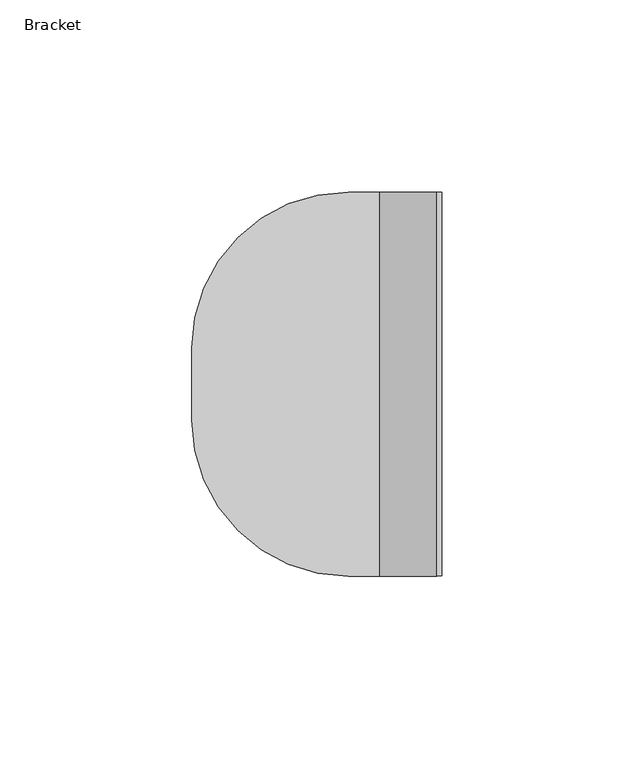
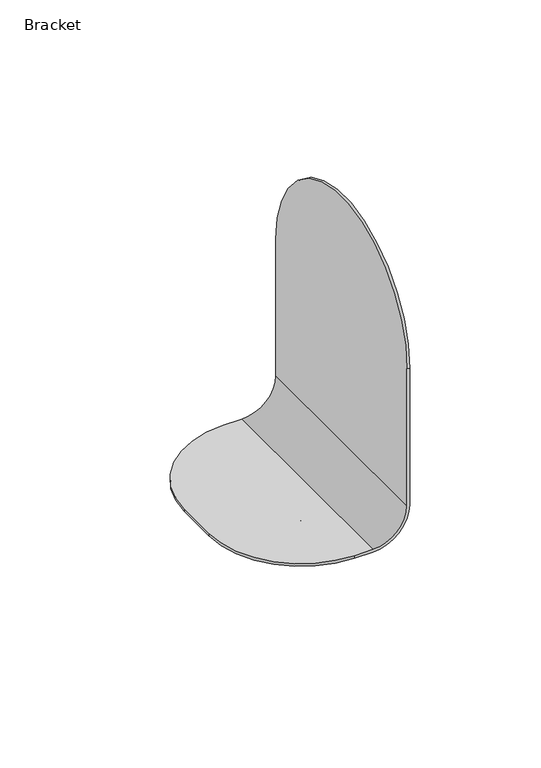
"""IFC4 building model written with IfcOpenShell, lengths in millimetres: furniture geometry, Bracket."""

from ifc_helpers import new_model, si_unit, frame, origin, place, context, project, spatial, polyline, circle_curve, source, transform, mapped, element, save
from ifc_brep_helpers import plane_surface, cylinder_surface, revolved_surface, advanced_brep


def bracket_568b75fe(model_context):
    return source(origin(), model_context, "Body", "AdvancedBrep", [
        advanced_brep(
        [(-24.3520733, 49.9996948, 897.0997253), (-65.0001821, 9.351586, 897.0997253), (-65.0001821, -9.3557974, 897.0997253), (-24.3520733, -50.0039062, 897.0997253), (-16.2009235, -50.0039062, 897.0997253), (-16.2009235, 49.9996948, 897.0997253), (-24.3520733, -50.0039062, 895.8997484), (-65.0001821, -9.3557974, 895.8997484), (-65.0001821, 9.351586, 895.8997484), (-24.3520733, 49.9996948, 895.8997484), (-16.2793384, 49.9996948, 895.8997484), (-16.2793384, -50.0039062, 895.8997484), (0.0, -50.0039062, 912.1791126), (0.0, -50.0039062, 975.8954662), (-1.2009235, -50.0039062, 975.8954662), (-1.2009235, -50.0039062, 912.0997253), (0.0, 49.9996948, 912.1791126), (-1.2009235, 49.9996948, 912.0997253), (-1.2009235, 49.9996948, 975.8954662), (0.0, 49.9996948, 975.8954662)],
        [
            (0, 1, circle_curve(frame((-24.3520733, 9.351586, 897.0997253), z_axis=(0.0, 0.0, 1.0), x_axis=(1.0, 0.0, 0.0)), 40.6481089)),
            (1, 2),
            (2, 3, circle_curve(frame((-24.3520733, -9.3557974, 897.0997253), z_axis=(0.0, 0.0, 1.0), x_axis=(1.0, 0.0, 0.0)), 40.6481089)),
            (3, 4),
            (4, 5),
            (5, 0),
            (6, 7, circle_curve(frame((-24.3520733, -9.3557974, 895.8997484), z_axis=(0.0, 0.0, -1.0), x_axis=(1.0, 0.0, 0.0)), 40.6481089)),
            (7, 8),
            (8, 9, circle_curve(frame((-24.3520733, 9.351586, 895.8997484), z_axis=(0.0, 0.0, -1.0), x_axis=(1.0, 0.0, 0.0)), 40.6481089)),
            (9, 10),
            (10, 11),
            (11, 6),
            (0, 9),
            (8, 1),
            (7, 2),
            (6, 3),
            (12, 13),
            (13, 14),
            (14, 15),
            (15, 4, circle_curve(frame((-16.2009235, -50.0039062, 912.0997253), z_axis=(0.0, 1.0, 0.0), x_axis=(1.0, 0.0, 0.0)), 15.0)),
            (11, 12, circle_curve(frame((-16.2793384, -50.0039062, 912.1791126), z_axis=(0.0, -1.0, 0.0), x_axis=(1.0, 0.0, 0.0)), 16.2793384)),
            (16, 10, circle_curve(frame((-16.2793384, 49.9996948, 912.1791126), z_axis=(0.0, 1.0, 0.0), x_axis=(1.0, 0.0, 0.0)), 16.2793384)),
            (5, 17, circle_curve(frame((-16.2009235, 49.9996948, 912.0997253), z_axis=(0.0, -1.0, 0.0), x_axis=(1.0, 0.0, 0.0)), 15.0)),
            (17, 18),
            (18, 19),
            (19, 16),
            (12, 16),
            (19, 13, circle_curve(frame((0.0, -0.0021057, 975.8954662), z_axis=(1.0, 0.0, 0.0), x_axis=(0.0, -1.0, 0.0)), 50.0018005)),
            (14, 18, circle_curve(frame((-1.2009235, -0.0021057, 975.8954662), z_axis=(-1.0, 0.0, 0.0), x_axis=(0.0, -1.0, 0.0)), 50.0018005)),
            (17, 15),
        ],
        [
            plane_surface(frame((-24.3520733, 49.9996948, 897.0997253), z_axis=(0.0, 0.0, 1.0), x_axis=(0.0, 1.0, 0.0))),
            plane_surface(frame((-24.3520733, 49.9996948, 895.8997484), z_axis=(0.0, 0.0, -1.0), x_axis=(0.0, -1.0, 0.0))),
            cylinder_surface(frame((-24.3520733, 9.351586, 895.8997484), z_axis=(0.0, 0.0, 1.0), x_axis=(1.0, 0.0, 0.0)), 40.6481089),
            plane_surface(frame((-65.0001821, 9.351586, 897.0997253), z_axis=(-1.0, 0.0, 0.0), x_axis=(0.0, 0.0, -1.0))),
            cylinder_surface(frame((-24.3520733, -9.3557974, 895.8997484), z_axis=(0.0, 0.0, 1.0), x_axis=(1.0, 0.0, 0.0)), 40.6481089),
            plane_surface(frame((0.0, -50.0039062, 975.8954662), z_axis=(0.0, -1.0, 0.0), x_axis=(0.0, 0.0, 1.0))),
            plane_surface(frame((0.0, 49.9996948, 975.8954662), z_axis=(0.0, 1.0, 0.0), x_axis=(0.0, 0.0, -1.0))),
            plane_surface(frame((0.0, -50.0039062, 912.1791126), z_axis=(1.0, 0.0, 0.0), x_axis=(0.0, 1.0, 0.0))),
            plane_surface(frame((-1.2009235, -50.0039062, 975.8954662), z_axis=(-1.0, 0.0, 0.0), x_axis=(0.0, 1.0, 0.0))),
            revolved_surface(polyline([(-1.2009234999999983, 49.9996948, 912.0997253), (-1.2009234999999983, -50.0039062, 912.0997253)]), (-16.2009235, 49.9996948, 912.0997253), (0.0, 1.0, 0.0)),
            cylinder_surface(frame((-16.2793384, 49.9996948, 912.1791126), z_axis=(0.0, -1.0, 0.0), x_axis=(1.0, 0.0, 0.0)), 16.2793384),
            cylinder_surface(frame((-1.2012448, -0.0021057, 975.8954662), z_axis=(1.0, 0.0, 0.0), x_axis=(0.0, -1.0, 0.0)), 50.0018005),
        ],
        [
            (0, [[1, 2, 3, 4, 5, 6]]),
            (1, [[7, 8, 9, 10, 11, 12]]),
            (2, [[-1, 13, -9, 14]]),
            (3, [[-2, -14, -8, 15]]),
            (4, [[-3, -15, -7, 16]]),
            (5, [[17, 18, 19, 20, -4, -16, -12, 21]]),
            (6, [[22, -10, -13, -6, 23, 24, 25, 26]]),
            (7, [[-17, 27, -26, 28]]),
            (8, [[-19, 29, -24, 30]]),
            (9, [[-20, -30, -23, -5]]),
            (10, [[-21, -11, -22, -27]]),
            (11, [[-29, -18, -28, -25]]),
        ],
    ),
        advanced_brep(
        [(-24.3520733, -7.4257815, 894.999658), (-24.3520733, 7.4960934, 894.999658), (-16.6806922, 7.4960934, 894.999658), (-16.6806922, -7.4257815, 894.999658), (-24.3520733, 7.4960934, 895.8997484), (-24.3520733, -7.4257815, 895.8997484), (-16.2220507, -7.4257815, 895.8997484), (-16.2220507, 7.4960934, 895.8997484), (-15.0000006, 7.4960934, 894.6776983), (-15.0000006, 7.4960934, 881.3889336), (-15.9000002, 7.4960934, 881.3889336), (-15.9000002, 7.4960934, 894.218966), (-15.9000002, -7.4257815, 894.218966), (-15.9000002, -7.4257815, 881.3889336), (-15.0000006, -7.4257815, 881.3889336), (-15.0000006, -7.4257815, 894.6776983), (-15.9000002, 5.7890619, 881.3889336), (-15.9000002, 6.4114456, 876.0662243), (-15.9000002, 5.9033118, 873.4305531), (-15.9000002, -5.9917248, 873.4305531), (-15.9000002, -6.4038373, 876.1652942), (-15.9000002, -6.045626, 881.3889336), (-15.0000006, -6.045626, 881.3889336), (-15.0000006, -6.4038373, 876.1652942), (-15.0000006, -5.9917248, 873.4305531), (-15.0000006, 5.9033118, 873.4305531), (-15.0000006, 6.4114456, 876.0662243), (-15.0000006, 5.7890619, 881.3889336)],
        [
            (0, 1, circle_curve(frame((-22.424541, 0.035156, 894.999658), z_axis=(0.0, 0.0, -1.0), x_axis=(1.0, 0.0, 0.0)), 7.7059048)),
            (1, 2),
            (2, 3),
            (3, 0),
            (4, 5, circle_curve(frame((-22.424541, 0.035156, 895.8997484), z_axis=(0.0, 0.0, 1.0), x_axis=(1.0, 0.0, 0.0)), 7.7059048)),
            (5, 6),
            (6, 7),
            (7, 4),
            (1, 4),
            (7, 8, circle_curve(frame((-16.2220507, 7.4960934, 894.6776983), z_axis=(0.0, 1.0, 0.0), x_axis=(1.0, 0.0, 0.0)), 1.2220501)),
            (8, 9),
            (9, 10),
            (10, 11),
            (11, 2, circle_curve(frame((-16.6806922, 7.4960934, 894.218966), z_axis=(0.0, -1.0, 0.0), x_axis=(1.0, 0.0, 0.0)), 0.780692)),
            (0, 5),
            (3, 12, circle_curve(frame((-16.6806922, -7.4257815, 894.218966), z_axis=(0.0, 1.0, 0.0), x_axis=(1.0, 0.0, 0.0)), 0.780692)),
            (12, 13),
            (13, 14),
            (14, 15),
            (15, 6, circle_curve(frame((-16.2220507, -7.4257815, 894.6776983), z_axis=(0.0, -1.0, 0.0), x_axis=(1.0, 0.0, 0.0)), 1.2220501)),
            (11, 12),
            (10, 16),
            (16, 17, circle_curve(frame((-15.9000002, 7.5448764, 878.8964985), z_axis=(1.0, 0.0, 0.0), x_axis=(0.0, -1.0, 0.0)), 3.0487895)),
            (17, 18, circle_curve(frame((-15.9000002, 5.9033118, 874.7973705), z_axis=(-1.0, 0.0, 0.0), x_axis=(0.0, -1.0, 0.0)), 1.3668175)),
            (18, 19),
            (19, 20, circle_curve(frame((-15.9000002, -5.9917248, 874.8289753), z_axis=(-1.0, 0.0, 0.0), x_axis=(0.0, -1.0, 0.0)), 1.3984222)),
            (20, 21, circle_curve(frame((-15.9000002, -7.2305782, 878.8460899), z_axis=(1.0, 0.0, 0.0), x_axis=(0.0, -1.0, 0.0)), 2.8053816)),
            (21, 13),
            (14, 22),
            (22, 23, circle_curve(frame((-15.0000006, -7.2305782, 878.8460899), z_axis=(-1.0, 0.0, 0.0), x_axis=(0.0, -1.0, 0.0)), 2.8053816)),
            (23, 24, circle_curve(frame((-15.0000006, -5.9917248, 874.8289753), z_axis=(1.0, 0.0, 0.0), x_axis=(0.0, -1.0, 0.0)), 1.3984222)),
            (24, 25),
            (25, 26, circle_curve(frame((-15.0000006, 5.9033118, 874.7973705), z_axis=(1.0, 0.0, 0.0), x_axis=(0.0, -1.0, 0.0)), 1.3668175)),
            (26, 27, circle_curve(frame((-15.0000006, 7.5448764, 878.8964985), z_axis=(-1.0, 0.0, 0.0), x_axis=(0.0, -1.0, 0.0)), 3.0487895)),
            (27, 9),
            (8, 15),
            (21, 22),
            (20, 23),
            (19, 24),
            (18, 25),
            (17, 26),
            (16, 27),
        ],
        [
            plane_surface(frame((-17.7987056, 7.4960934, 894.999658), z_axis=(0.0, 0.0, -1.0), x_axis=(0.0, -1.0, 0.0))),
            plane_surface(frame((-17.7987056, 7.4960934, 895.8997484), z_axis=(0.0, 0.0, 1.0), x_axis=(0.0, 1.0, 0.0))),
            plane_surface(frame((-17.7987056, 7.4960934, 895.8997484), z_axis=(0.0, 1.0, 0.0), x_axis=(0.0, 0.0, -1.0))),
            cylinder_surface(frame((-22.424541, 0.035156, 894.999658), z_axis=(0.0, 0.0, 1.0), x_axis=(1.0, 0.0, 0.0)), 7.7059048),
            plane_surface(frame((-24.3520733, -7.4257815, 895.8997484), z_axis=(0.0, -1.0, 0.0), x_axis=(0.0, 0.0, -1.0))),
            revolved_surface(polyline([(-15.9000002, 7.4960934, 894.218966), (-15.9000002, -7.4257815, 894.218966)]), (-16.6806922, 7.4960934, 894.218966), (0.0, 1.0, 0.0)),
            plane_surface(frame((-15.9000002, -7.4257815, 894.218966), z_axis=(-1.0, 0.0, 0.0), x_axis=(0.0, 1.0, 0.0))),
            plane_surface(frame((-15.0000006, -7.4257815, 893.374861), z_axis=(1.0, 0.0, 0.0), x_axis=(0.0, 1.0, 0.0))),
            cylinder_surface(frame((-16.2220507, 7.4960934, 894.6776983), z_axis=(0.0, -1.0, 0.0), x_axis=(1.0, 0.0, 0.0)), 1.2220501),
            plane_surface(frame((-15.0000006, -7.4257815, 881.3889336), z_axis=(0.0, 0.0, -1.0), x_axis=(-1.0, 0.0, 0.0))),
            revolved_surface(polyline([(-15.9000002, -10.0359598, 878.8460899), (-15.0000006, -10.0359598, 878.8460899)]), (-15.9000002, -7.2305782, 878.8460899), (-1.0, 0.0, 0.0)),
            cylinder_surface(frame((-15.9000002, -5.9917248, 874.8289753), z_axis=(1.0, 0.0, 0.0), x_axis=(0.0, -1.0, 0.0)), 1.3984222),
            plane_surface(frame((-15.0000006, -5.9917248, 873.4305531), z_axis=(0.0, 0.0, -1.0), x_axis=(-1.0, 0.0, 0.0))),
            cylinder_surface(frame((-15.9000002, 5.9033118, 874.7973705), z_axis=(1.0, 0.0, 0.0), x_axis=(0.0, -1.0, 0.0)), 1.3668175),
            revolved_surface(polyline([(-15.9000002, 4.4960869, 878.8964985), (-15.0000006, 4.4960869, 878.8964985)]), (-15.9000002, 7.5448764, 878.8964985), (-1.0, 0.0, 0.0)),
            plane_surface(frame((-15.0000006, 5.7890619, 881.3889336), z_axis=(0.0, 0.0, -1.0), x_axis=(-1.0, 0.0, 0.0))),
        ],
        [
            (0, [[1, 2, 3, 4]]),
            (1, [[5, 6, 7, 8]]),
            (2, [[9, -8, 10, 11, 12, 13, 14, -2]]),
            (3, [[-1, 15, -5, -9]]),
            (4, [[-15, -4, 16, 17, 18, 19, 20, -6]]),
            (5, [[-16, -3, -14, 21]]),
            (6, [[-17, -21, -13, 22, 23, 24, 25, 26, 27, 28]]),
            (7, [[-19, 29, 30, 31, 32, 33, 34, 35, -11, 36]]),
            (8, [[-20, -36, -10, -7]]),
            (9, [[-28, 37, -29, -18]]),
            (10, [[-27, 38, -30, -37]]),
            (11, [[-26, 39, -31, -38]]),
            (12, [[-25, 40, -32, -39]]),
            (13, [[-24, 41, -33, -40]]),
            (14, [[-23, 42, -34, -41]]),
            (15, [[-22, -12, -35, -42]]),
        ],
    ),
    ])


if __name__ == "__main__":
    model = new_model("IFC4")
    model_context = context("Model", 3, world=origin())
    ifc_project = project(units=[si_unit("LENGTHUNIT", "METRE", prefix="MILLI")], contexts=[model_context])
    site = spatial("IfcSite", under=ifc_project)
    building = spatial("IfcBuilding", under=site)
    placement = place(None, origin())
    bracket_shape = bracket_568b75fe(model_context)
    element("IfcFurniture", 1, ObjectType="Bracket", at=placement, inside=building, context=model_context, shape_type="MappedRepresentation", body=[
        mapped(bracket_shape, transform((0.0, 0.0, 0.0), x_axis=(1.0, 0.0, 0.0), y_axis=(0.0, 1.0, 0.0), z_axis=(0.0, 0.0, 1.0))),
    ])
    save(model, "model.ifc")
